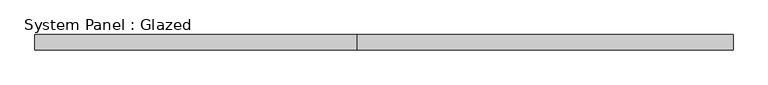
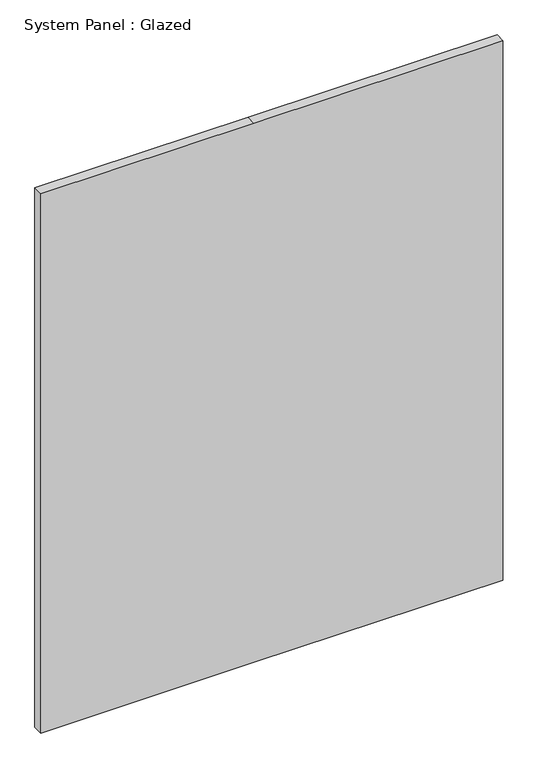
"""IFC4 building model written with IfcOpenShell, lengths in millimetres: plate geometry, System Panel : Glazed."""

from ifc_helpers import new_model, si_unit, frame, origin, place, context, project, spatial, polyline, outline, extrude, source, transform, mapped, element, save


def system_panel_glazed_1300dd51(model_context):
    return source(origin(), model_context, "Body", "SweptSolid", [
        extrude(outline(polyline([(0.0, -586.5952525), (0.0, -45.2297475), (0.0, 586.5952525), (1447.8, 586.5952525), (1447.8, -45.2297475), (1447.8, -586.5952525), (0.0, -586.5952525)])), frame((0.0, -44.45, 0.0), z_axis=(0.0, 1.0, 0.0), x_axis=(0.0, 0.0, 1.0)), (0.0, 0.0, 1.0), 25.4),
    ])


if __name__ == "__main__":
    model = new_model("IFC4")
    model_context = context("Model", 3, world=origin())
    ifc_project = project(units=[si_unit("LENGTHUNIT", "METRE", prefix="MILLI")], contexts=[model_context])
    site = spatial("IfcSite", under=ifc_project)
    building = spatial("IfcBuilding", under=site)
    placement = place(None, origin())
    system_panel_glazed_shape = system_panel_glazed_1300dd51(model_context)
    element("IfcPlate", 1, ObjectType="System Panel : Glazed", at=placement, inside=building, context=model_context, shape_type="MappedRepresentation", body=[
        mapped(system_panel_glazed_shape, transform((0.0, 0.0, 0.0), x_axis=(1.0, 0.0, 0.0), y_axis=(0.0, 1.0, 0.0), z_axis=(0.0, 0.0, 1.0))),
    ])
    save(model, "model.ifc")
